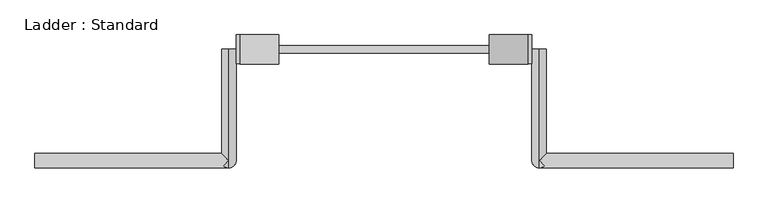
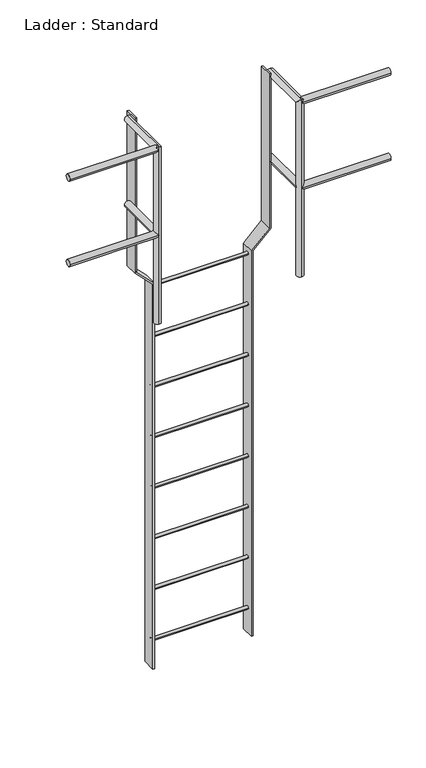
"""IFC4 building model written with IfcOpenShell, lengths in millimetres: proxy geometry, Ladder : Standard."""

from ifc_helpers import new_model, si_unit, point, frame, frame_2d, origin, place, context, project, spatial, polyline, circle_curve, ellipse_curve, trimmed, segment, composite_curve, outline, extrude, source, transform, mapped, element, save
from ifc_brep_helpers import plane_surface, cylinder_surface, advanced_brep


def ladder_standard_ed69b832(model_context):
    return source(origin(), model_context, "Body", "SolidModel", [
        extrude(outline(composite_curve([segment(trimmed(circle_curve(frame_2d((292.1, -2133.6)), 9.525), [point((282.575, -2133.6))], [point((301.625, -2133.6))], False, "CARTESIAN"), True, "CONTINUOUS"), segment(trimmed(circle_curve(frame_2d((292.1, -2133.6)), 9.525), [point((301.625, -2133.6))], [point((282.575, -2133.6))], False, "CARTESIAN"), True, "CONTINUOUS")], self_intersect=False)), frame((-276.3329351, 0.0, 0.0), z_axis=(1.0, 0.0, 0.0), x_axis=(0.0, 1.0, 0.0)), (0.0, 0.0, 1.0), 552.6658703),
        extrude(outline(composite_curve([segment(trimmed(circle_curve(frame_2d((292.1, -1828.8)), 9.525), [point((282.575, -1828.8))], [point((301.625, -1828.8))], False, "CARTESIAN"), True, "CONTINUOUS"), segment(trimmed(circle_curve(frame_2d((292.1, -1828.8)), 9.525), [point((301.625, -1828.8))], [point((282.575, -1828.8))], False, "CARTESIAN"), True, "CONTINUOUS")], self_intersect=False)), frame((-276.3329351, 0.0, 0.0), z_axis=(1.0, 0.0, 0.0), x_axis=(0.0, 1.0, 0.0)), (0.0, 0.0, 1.0), 552.6658703),
        extrude(outline(composite_curve([segment(trimmed(circle_curve(frame_2d((292.1, -1524.0)), 9.525), [point((282.575, -1524.0))], [point((301.625, -1524.0))], False, "CARTESIAN"), True, "CONTINUOUS"), segment(trimmed(circle_curve(frame_2d((292.1, -1524.0)), 9.525), [point((301.625, -1524.0))], [point((282.575, -1524.0))], False, "CARTESIAN"), True, "CONTINUOUS")], self_intersect=False)), frame((-276.3329351, 0.0, 0.0), z_axis=(1.0, 0.0, 0.0), x_axis=(0.0, 1.0, 0.0)), (0.0, 0.0, 1.0), 552.6658703),
        extrude(outline(composite_curve([segment(trimmed(circle_curve(frame_2d((292.1, -1219.2)), 9.525), [point((282.575, -1219.2))], [point((301.625, -1219.2))], False, "CARTESIAN"), True, "CONTINUOUS"), segment(trimmed(circle_curve(frame_2d((292.1, -1219.2)), 9.525), [point((301.625, -1219.2))], [point((282.575, -1219.2))], False, "CARTESIAN"), True, "CONTINUOUS")], self_intersect=False)), frame((-276.3329351, 0.0, 0.0), z_axis=(1.0, 0.0, 0.0), x_axis=(0.0, 1.0, 0.0)), (0.0, 0.0, 1.0), 552.6658703),
        extrude(outline(composite_curve([segment(trimmed(circle_curve(frame_2d((292.1, -914.4)), 9.525), [point((282.575, -914.4))], [point((301.625, -914.4))], False, "CARTESIAN"), True, "CONTINUOUS"), segment(trimmed(circle_curve(frame_2d((292.1, -914.4)), 9.525), [point((301.625, -914.4))], [point((282.575, -914.4))], False, "CARTESIAN"), True, "CONTINUOUS")], self_intersect=False)), frame((-276.3329351, 0.0, 0.0), z_axis=(1.0, 0.0, 0.0), x_axis=(0.0, 1.0, 0.0)), (0.0, 0.0, 1.0), 552.6658703),
        extrude(outline(composite_curve([segment(trimmed(circle_curve(frame_2d((292.1, -609.6)), 9.525), [point((282.575, -609.6))], [point((301.625, -609.6))], False, "CARTESIAN"), True, "CONTINUOUS"), segment(trimmed(circle_curve(frame_2d((292.1, -609.6)), 9.525), [point((301.625, -609.6))], [point((282.575, -609.6))], False, "CARTESIAN"), True, "CONTINUOUS")], self_intersect=False)), frame((-276.3329351, 0.0, 0.0), z_axis=(1.0, 0.0, 0.0), x_axis=(0.0, 1.0, 0.0)), (0.0, 0.0, 1.0), 552.6658703),
        extrude(outline(composite_curve([segment(trimmed(circle_curve(frame_2d((292.1, -304.8)), 9.525), [point((282.575, -304.8))], [point((301.625, -304.8))], False, "CARTESIAN"), True, "CONTINUOUS"), segment(trimmed(circle_curve(frame_2d((292.1, -304.8)), 9.525), [point((301.625, -304.8))], [point((282.575, -304.8))], False, "CARTESIAN"), True, "CONTINUOUS")], self_intersect=False)), frame((-276.3329351, 0.0, 0.0), z_axis=(1.0, 0.0, 0.0), x_axis=(0.0, 1.0, 0.0)), (0.0, 0.0, 1.0), 552.6658703),
        extrude(outline(composite_curve([segment(trimmed(circle_curve(frame_2d((292.1, 0.0)), 9.525), [point((282.575, 0.0))], [point((301.625, 0.0))], False, "CARTESIAN"), True, "CONTINUOUS"), segment(trimmed(circle_curve(frame_2d((292.1, 0.0)), 9.525), [point((301.625, 0.0))], [point((282.575, 0.0))], False, "CARTESIAN"), True, "CONTINUOUS")], self_intersect=False)), frame((-276.3329351, 0.0, 0.0), z_axis=(1.0, 0.0, 0.0), x_axis=(0.0, 1.0, 0.0)), (0.0, 0.0, 1.0), 552.6658703),
        advanced_brep(
        [(387.4579351, 292.1, 533.4), (425.5579351, 292.1, 533.4), (425.5579351, 19.05, 533.4), (419.9783193, 13.4703842, 519.9296158), (406.5079351, 19.05, 514.35), (387.4579351, 0.0, 533.4), (406.5079351, 19.05, 552.45), (419.9783193, 13.4703842, 546.8703842), (914.5079351, -19.05, 533.4), (914.5079351, 19.05, 533.4), (406.5079351, -19.05, 533.4), (406.5079351, 19.05, 0.0), (406.5079351, -19.05, 0.0), (406.5079351, 19.05, 1028.7), (419.9783193, 13.4703842, 1034.2796158), (406.5079351, -19.05, 1047.75), (419.9783193, -13.4703842, 1061.2203842), (406.5079351, -19.05, 1066.8), (406.5079351, 292.1, 1028.7), (406.5079351, 292.1, 1066.8), (406.5079351, 0.0, 1066.8), (425.5579351, 19.05, 1047.75), (914.5079351, -19.05, 1047.75), (914.5079351, 19.05, 1047.75)],
        [
            (0, 1, circle_curve(frame((406.5079351, 292.1, 533.4), z_axis=(0.0, 1.0, 0.0), x_axis=(1.0, 0.0, 0.0)), 19.05)),
            (1, 0, circle_curve(frame((406.5079351, 292.1, 533.4), z_axis=(0.0, 1.0, 0.0), x_axis=(1.0, 0.0, 0.0)), 19.05)),
            (1, 2),
            (2, 3, ellipse_curve(frame((406.5079351, 0.0, 533.4), z_axis=(-0.7071067811865459, 0.7071067811865492, 0.0), x_axis=(-0.7071067811865492, -0.7071067811865457, 0.0)), 26.9407684, 19.05)),
            (3, 4, ellipse_curve(frame((406.5079351, 0.0, 533.4), z_axis=(0.0, 0.7071067811865475, 0.7071067811865475), x_axis=(0.0, -0.7071067811865476, 0.7071067811865474)), 26.9407684, 19.05)),
            (4, 5, ellipse_curve(frame((406.5079351, 0.0, 533.4), z_axis=(0.0, 0.7071067811865475, 0.7071067811865475), x_axis=(0.0, -0.7071067811865476, 0.7071067811865474)), 26.9407684, 19.05)),
            (5, 0),
            (5, 6, ellipse_curve(frame((406.5079351, 0.0, 533.4), z_axis=(0.0, 0.7071067811865475, -0.7071067811865475), x_axis=(0.0, -0.7071067811865476, -0.7071067811865474)), 26.9407684, 19.05)),
            (6, 7, ellipse_curve(frame((406.5079351, 0.0, 533.4), z_axis=(0.0, 0.7071067811865475, -0.7071067811865475), x_axis=(0.0, -0.7071067811865476, -0.7071067811865474)), 26.9407684, 19.05)),
            (7, 2, ellipse_curve(frame((406.5079351, 0.0, 533.4), z_axis=(-0.7071067811865459, 0.7071067811865492, 0.0), x_axis=(-0.7071067811865492, -0.7071067811865457, 0.0)), 26.9407684, 19.05)),
            (8, 9, circle_curve(frame((914.5079351, 0.0, 533.4), z_axis=(1.0, 0.0, 0.0), x_axis=(0.0, 1.0, 0.0)), 19.05)),
            (9, 8, circle_curve(frame((914.5079351, 0.0, 533.4), z_axis=(1.0, 0.0, 0.0), x_axis=(0.0, 1.0, 0.0)), 19.05)),
            (8, 10),
            (10, 3, ellipse_curve(frame((406.5079351, 0.0, 533.4), z_axis=(0.7071067811865475, 0.0, 0.7071067811865476), x_axis=(0.7071067811865476, 0.0, -0.7071067811865474)), 26.9407684, 19.05)),
            (2, 9),
            (7, 10, ellipse_curve(frame((406.5079351, 0.0, 533.4), z_axis=(0.7071067811865476, 0.0, -0.7071067811865475), x_axis=(0.7071067811865474, 0.0, 0.7071067811865476)), 26.9407684, 19.05)),
            (11, 12, circle_curve(frame((406.5079351, 0.0, 0.0), z_axis=(0.0, 0.0, -1.0), x_axis=(0.0, -1.0, 0.0)), 19.05)),
            (12, 11, circle_curve(frame((406.5079351, 0.0, 0.0), z_axis=(0.0, 0.0, -1.0), x_axis=(0.0, -1.0, 0.0)), 19.05)),
            (11, 4),
            (10, 12),
            (6, 13),
            (13, 14, ellipse_curve(frame((406.5079351, 0.0, 1047.75), z_axis=(0.0, -0.7071067811865475, -0.7071067811865475), x_axis=(0.0, 0.7071067811865474, -0.7071067811865476)), 26.9407684, 19.05)),
            (14, 15, ellipse_curve(frame((406.5079351, 0.0, 1047.75), z_axis=(-0.7071067811865475, 0.0, -0.7071067811865476), x_axis=(0.7071067811865476, 0.0, -0.7071067811865474)), 26.9407684, 19.05)),
            (15, 10),
            (16, 17, ellipse_curve(frame((406.5079351, 0.0, 1047.75), z_axis=(0.0, -0.7071067811865475, -0.7071067811865475), x_axis=(0.0, 0.7071067811865474, -0.7071067811865476)), 26.9407684, 19.05)),
            (17, 15),
            (15, 16, ellipse_curve(frame((406.5079351, 0.0, 1047.75), z_axis=(-0.7071067811865476, 0.0, 0.7071067811865475), x_axis=(-0.7071067811865474, 0.0, -0.7071067811865476)), 26.9407684, 19.05)),
            (17, 13, ellipse_curve(frame((406.5079351, 0.0, 1047.75), z_axis=(0.0, -0.7071067811865475, -0.7071067811865475), x_axis=(0.0, 0.7071067811865474, -0.7071067811865476)), 26.9407684, 19.05)),
            (18, 19, circle_curve(frame((406.5079351, 292.1, 1047.75), z_axis=(0.0, 1.0, 0.0), x_axis=(0.0, 0.0, 1.0)), 19.05)),
            (19, 18, circle_curve(frame((406.5079351, 292.1, 1047.75), z_axis=(0.0, 1.0, 0.0), x_axis=(0.0, 0.0, 1.0)), 19.05)),
            (16, 20, ellipse_curve(frame((406.5079351, 0.0, 1047.75), z_axis=(-0.7071067811865508, -0.7071067811865441, 0.0), x_axis=(0.7071067811865441, -0.7071067811865509, 0.0)), 26.9407684, 19.05)),
            (20, 17),
            (19, 20),
            (20, 21, ellipse_curve(frame((406.5079351, 0.0, 1047.75), z_axis=(-0.7071067811865441, 0.7071067811865508, 0.0), x_axis=(-0.7071067811865507, -0.7071067811865442, 0.0)), 26.9407684, 19.05)),
            (21, 14, ellipse_curve(frame((406.5079351, 0.0, 1047.75), z_axis=(-0.7071067811865441, 0.7071067811865508, 0.0), x_axis=(-0.7071067811865507, -0.7071067811865442, 0.0)), 26.9407684, 19.05)),
            (13, 18),
            (22, 23, circle_curve(frame((914.5079351, 0.0, 1047.75), z_axis=(1.0, 0.0, 0.0), x_axis=(0.0, 1.0, 0.0)), 19.05)),
            (23, 22, circle_curve(frame((914.5079351, 0.0, 1047.75), z_axis=(1.0, 0.0, 0.0), x_axis=(0.0, 1.0, 0.0)), 19.05)),
            (22, 15),
            (21, 23),
        ],
        [
            plane_surface(frame((425.5579351, 292.1, 533.4), z_axis=(0.0, 1.0, 0.0), x_axis=(0.0, 0.0, -1.0))),
            cylinder_surface(frame((406.5079351, 292.1, 533.4), z_axis=(0.0, -1.0, 0.0), x_axis=(1.0, 0.0, 0.0)), 19.05),
            plane_surface(frame((914.5079351, 19.05, 533.4), z_axis=(1.0, 0.0, 0.0), x_axis=(0.0, 0.0, 1.0))),
            cylinder_surface(frame((406.5079351, 0.0, 533.4), z_axis=(1.0, 0.0, 0.0), x_axis=(0.0, 1.0, 0.0)), 19.05),
            plane_surface(frame((0.0, 0.0, 0.0), z_axis=(0.0, 0.0, -1.0), x_axis=(1.0, 0.0, 0.0))),
            cylinder_surface(frame((406.5079351, 0.0, 0.0), z_axis=(0.0, 0.0, -1.0), x_axis=(0.0, -1.0, 0.0)), 19.05),
            plane_surface(frame((0.0, 292.1, 1047.75), z_axis=(0.0, 1.0, 0.0), x_axis=(1.0, 0.0, 0.0))),
            cylinder_surface(frame((406.5079351, 0.0, 1047.75), z_axis=(0.0, -1.0, 0.0), x_axis=(0.0, 0.0, 1.0)), 19.05),
            plane_surface(frame((914.5079351, 19.05, 1047.75), z_axis=(1.0, 0.0, 0.0), x_axis=(0.0, 0.0, 1.0))),
            cylinder_surface(frame((406.5079351, 0.0, 1047.75), z_axis=(1.0, 0.0, 0.0), x_axis=(0.0, 1.0, 0.0)), 19.05),
        ],
        [
            (0, [[1, 2]]),
            (1, [[-2, 3, 4, 5, 6, 7]]),
            (1, [[-1, -7, 8, 9, 10, -3]]),
            (2, [[11, 12]]),
            (3, [[-11, 13, 14, -4, 15]]),
            (3, [[-12, -15, -10, 16, -13]]),
            (4, [[17, 18]]),
            (5, [[-17, 19, -5, -14, 20]]),
            (5, [[21, 22, 23, 24, -16, -9]]),
            (5, [[25, 26, 27]]),
            (5, [[-18, -20, -24, -26, 28, -21, -8, -6, -19]]),
            (6, [[29, 30]]),
            (7, [[-25, 31, 32]]),
            (7, [[-30, 33, 34, 35, -22, 36]]),
            (7, [[-28, -32, -33, -29, -36]]),
            (8, [[37, 38]]),
            (9, [[-37, 39, -23, -35, 40]]),
            (9, [[-38, -40, -34, -31, -27, -39]]),
        ],
    ),
        advanced_brep(
        [(-914.5079351, -19.05, 533.4), (-914.5079351, 19.05, 533.4), (-425.5579351, 19.05, 533.4), (-419.9783193, 13.4703842, 519.9296158), (-406.5079351, -19.05, 533.4), (-419.9783193, 13.4703842, 546.8703842), (-425.5579351, 292.1, 533.4), (-387.4579351, 292.1, 533.4), (-387.4579351, 0.0, 533.4), (-406.5079351, 19.05, 514.35), (-406.5079351, 19.05, 552.45), (-406.5079351, 19.05, 0.0), (-406.5079351, -19.05, 0.0), (-406.5079351, 19.05, 1028.7), (-406.5079351, -19.05, 1066.8), (-406.5079351, -19.05, 1047.75), (-419.9783193, 13.4703842, 1034.2796158), (-419.9783193, -13.4703842, 1061.2203842), (-406.5079351, 292.1, 1028.7), (-406.5079351, 292.1, 1066.8), (-406.5079351, 0.0, 1066.8), (-425.5579351, 19.05, 1047.75), (-914.5079351, -19.05, 1047.75), (-914.5079351, 19.05, 1047.75)],
        [
            (0, 1, circle_curve(frame((-914.5079351, 0.0, 533.4), z_axis=(-1.0, 0.0, 0.0), x_axis=(0.0, 1.0, 0.0)), 19.05)),
            (1, 0, circle_curve(frame((-914.5079351, 0.0, 533.4), z_axis=(-1.0, 0.0, 0.0), x_axis=(0.0, 1.0, 0.0)), 19.05)),
            (1, 2),
            (2, 3, ellipse_curve(frame((-406.5079351, 0.0, 533.4), z_axis=(-0.7071067811865491, -0.7071067811865458, 0.0), x_axis=(0.7071067811865459, -0.707106781186549, 0.0)), 26.9407684, 19.05)),
            (3, 4, ellipse_curve(frame((-406.5079351, 0.0, 533.4), z_axis=(-0.7071067811865476, 0.0, 0.7071067811865475), x_axis=(0.7071067811865474, 0.0, 0.7071067811865476)), 26.9407684, 19.05)),
            (4, 0),
            (4, 5, ellipse_curve(frame((-406.5079351, 0.0, 533.4), z_axis=(-0.7071067811865475, 0.0, -0.7071067811865476), x_axis=(0.7071067811865476, 0.0, -0.7071067811865474)), 26.9407684, 19.05)),
            (5, 2, ellipse_curve(frame((-406.5079351, 0.0, 533.4), z_axis=(-0.7071067811865491, -0.7071067811865458, 0.0), x_axis=(0.7071067811865459, -0.707106781186549, 0.0)), 26.9407684, 19.05)),
            (6, 7, circle_curve(frame((-406.5079351, 292.1, 533.4), z_axis=(0.0, 1.0, 0.0), x_axis=(1.0, 0.0, 0.0)), 19.05)),
            (7, 6, circle_curve(frame((-406.5079351, 292.1, 533.4), z_axis=(0.0, 1.0, 0.0), x_axis=(1.0, 0.0, 0.0)), 19.05)),
            (7, 8),
            (8, 9, ellipse_curve(frame((-406.5079351, 0.0, 533.4), z_axis=(0.0, 0.7071067811865475, 0.7071067811865475), x_axis=(0.0, -0.7071067811865476, 0.7071067811865474)), 26.9407684, 19.05)),
            (9, 3, ellipse_curve(frame((-406.5079351, 0.0, 533.4), z_axis=(0.0, 0.7071067811865475, 0.7071067811865475), x_axis=(0.0, -0.7071067811865476, 0.7071067811865474)), 26.9407684, 19.05)),
            (2, 6),
            (5, 10, ellipse_curve(frame((-406.5079351, 0.0, 533.4), z_axis=(0.0, 0.7071067811865475, -0.7071067811865475), x_axis=(0.0, -0.7071067811865476, -0.7071067811865474)), 26.9407684, 19.05)),
            (10, 8, ellipse_curve(frame((-406.5079351, 0.0, 533.4), z_axis=(0.0, 0.7071067811865475, -0.7071067811865475), x_axis=(0.0, -0.7071067811865476, -0.7071067811865474)), 26.9407684, 19.05)),
            (11, 12, circle_curve(frame((-406.5079351, 0.0, 0.0), z_axis=(0.0, 0.0, -1.0), x_axis=(0.0, -1.0, 0.0)), 19.05)),
            (12, 11, circle_curve(frame((-406.5079351, 0.0, 0.0), z_axis=(0.0, 0.0, -1.0), x_axis=(0.0, -1.0, 0.0)), 19.05)),
            (11, 9),
            (10, 13),
            (13, 14, ellipse_curve(frame((-406.5079351, 0.0, 1047.75), z_axis=(0.0, -0.7071067811865475, -0.7071067811865475), x_axis=(0.0, 0.7071067811865474, -0.7071067811865476)), 26.9407684, 19.05)),
            (14, 15),
            (15, 4),
            (4, 12),
            (15, 16, ellipse_curve(frame((-406.5079351, 0.0, 1047.75), z_axis=(0.7071067811865476, 0.0, -0.7071067811865475), x_axis=(-0.7071067811865474, 0.0, -0.7071067811865476)), 26.9407684, 19.05)),
            (16, 13, ellipse_curve(frame((-406.5079351, 0.0, 1047.75), z_axis=(0.0, -0.7071067811865475, -0.7071067811865475), x_axis=(0.0, 0.7071067811865474, -0.7071067811865476)), 26.9407684, 19.05)),
            (14, 17, ellipse_curve(frame((-406.5079351, 0.0, 1047.75), z_axis=(0.0, -0.7071067811865475, -0.7071067811865475), x_axis=(0.0, 0.7071067811865474, -0.7071067811865476)), 26.9407684, 19.05)),
            (17, 15, ellipse_curve(frame((-406.5079351, 0.0, 1047.75), z_axis=(0.7071067811865475, 0.0, 0.7071067811865476), x_axis=(0.7071067811865476, 0.0, -0.7071067811865474)), 26.9407684, 19.05)),
            (18, 19, circle_curve(frame((-406.5079351, 292.1, 1047.75), z_axis=(0.0, 1.0, 0.0), x_axis=(0.0, 0.0, 1.0)), 19.05)),
            (19, 18, circle_curve(frame((-406.5079351, 292.1, 1047.75), z_axis=(0.0, 1.0, 0.0), x_axis=(0.0, 0.0, 1.0)), 19.05)),
            (13, 18),
            (19, 20),
            (20, 14),
            (20, 17, ellipse_curve(frame((-406.5079351, 0.0, 1047.75), z_axis=(0.7071067811865441, -0.7071067811865508, 0.0), x_axis=(-0.7071067811865507, -0.7071067811865442, 0.0)), 26.9407684, 19.05)),
            (16, 21, ellipse_curve(frame((-406.5079351, 0.0, 1047.75), z_axis=(0.7071067811865508, 0.7071067811865441, 0.0), x_axis=(0.7071067811865441, -0.7071067811865509, 0.0)), 26.9407684, 19.05)),
            (21, 20, ellipse_curve(frame((-406.5079351, 0.0, 1047.75), z_axis=(0.7071067811865508, 0.7071067811865441, 0.0), x_axis=(0.7071067811865441, -0.7071067811865509, 0.0)), 26.9407684, 19.05)),
            (22, 23, circle_curve(frame((-914.5079351, 0.0, 1047.75), z_axis=(-1.0, 0.0, 0.0), x_axis=(0.0, 1.0, 0.0)), 19.05)),
            (23, 22, circle_curve(frame((-914.5079351, 0.0, 1047.75), z_axis=(-1.0, 0.0, 0.0), x_axis=(0.0, 1.0, 0.0)), 19.05)),
            (23, 21),
            (15, 22),
        ],
        [
            plane_surface(frame((-914.5079351, 19.05, 533.4), z_axis=(-1.0, 0.0, 0.0), x_axis=(0.0, 0.0, -1.0))),
            cylinder_surface(frame((-914.5079351, 0.0, 533.4), z_axis=(1.0, 0.0, 0.0), x_axis=(0.0, 1.0, 0.0)), 19.05),
            plane_surface(frame((-387.4579351, 292.1, 533.4), z_axis=(0.0, 1.0, 0.0), x_axis=(0.0, 0.0, -1.0))),
            cylinder_surface(frame((-406.5079351, 292.1, 533.4), z_axis=(0.0, -1.0, 0.0), x_axis=(1.0, 0.0, 0.0)), 19.05),
            plane_surface(frame((0.0, 0.0, 0.0), z_axis=(0.0, 0.0, -1.0), x_axis=(1.0, 0.0, 0.0))),
            cylinder_surface(frame((-406.5079351, 0.0, 0.0), z_axis=(0.0, 0.0, -1.0), x_axis=(0.0, -1.0, 0.0)), 19.05),
            plane_surface(frame((0.0, 292.1, 1047.75), z_axis=(0.0, 1.0, 0.0), x_axis=(1.0, 0.0, 0.0))),
            cylinder_surface(frame((-406.5079351, 0.0, 1047.75), z_axis=(0.0, -1.0, 0.0), x_axis=(0.0, 0.0, 1.0)), 19.05),
            plane_surface(frame((-914.5079351, 19.05, 1047.75), z_axis=(-1.0, 0.0, 0.0), x_axis=(0.0, 0.0, -1.0))),
            cylinder_surface(frame((-914.5079351, 0.0, 1047.75), z_axis=(1.0, 0.0, 0.0), x_axis=(0.0, 1.0, 0.0)), 19.05),
        ],
        [
            (0, [[1, 2]]),
            (1, [[-2, 3, 4, 5, 6]]),
            (1, [[-1, -6, 7, 8, -3]]),
            (2, [[9, 10]]),
            (3, [[-10, 11, 12, 13, -4, 14]]),
            (3, [[-9, -14, -8, 15, 16, -11]]),
            (4, [[17, 18]]),
            (5, [[-17, 19, -12, -16, 20, 21, 22, 23, 24]]),
            (5, [[-18, -24, -5, -13, -19]]),
            (5, [[-20, -15, -7, -23, 25, 26]]),
            (5, [[27, 28, -22]]),
            (6, [[29, 30]]),
            (7, [[-21, 31, -30, 32, 33]]),
            (7, [[-27, -33, 34]]),
            (7, [[-29, -31, -26, 35, 36, -32]]),
            (8, [[37, 38]]),
            (9, [[-38, 39, -35, -25, 40]]),
            (9, [[-37, -40, -28, -34, -36, -39]]),
        ],
    ),
        extrude(outline(polyline([(1066.8, -387.4579351), (133.35, -387.4579351), (31.75, -285.8579351), (-2286.0, -285.8579351), (-2286.0, -276.3329351), (35.6953842, -276.3329351), (137.2953842, -377.9329351), (1066.8, -377.9329351), (1066.8, -387.4579351)])), frame((0.0, 254.0, 0.0), z_axis=(0.0, 1.0, 0.0), x_axis=(0.0, 0.0, 1.0)), (0.0, 0.0, 1.0), 76.2),
        extrude(outline(polyline([(1066.8, 377.9329351), (137.2953842, 377.9329351), (35.6953842, 276.3329351), (-2286.0, 276.3329351), (-2286.0, 285.8579351), (31.75, 285.8579351), (133.35, 387.4579351), (1066.8, 387.4579351), (1066.8, 377.9329351)])), frame((0.0, 254.0, 0.0), z_axis=(0.0, 1.0, 0.0), x_axis=(0.0, 0.0, 1.0)), (0.0, 0.0, 1.0), 76.2),
    ])


if __name__ == "__main__":
    model = new_model("IFC4")
    model_context = context("Model", 3, world=origin())
    ifc_project = project(units=[si_unit("LENGTHUNIT", "METRE", prefix="MILLI")], contexts=[model_context])
    site = spatial("IfcSite", under=ifc_project)
    building = spatial("IfcBuilding", under=site)
    placement = place(None, origin())
    ladder_standard_shape = ladder_standard_ed69b832(model_context)
    element("IfcBuildingElementProxy", 1, Name="Ladder : Standard", ObjectType="Ladder : Standard", at=placement, inside=building, context=model_context, shape_type="MappedRepresentation", body=[
        mapped(ladder_standard_shape, transform((0.0, 0.0, 0.0), x_axis=(1.0, 0.0, 0.0), y_axis=(0.0, 1.0, 0.0), z_axis=(0.0, 0.0, 1.0))),
    ])
    save(model, "model.ifc")
